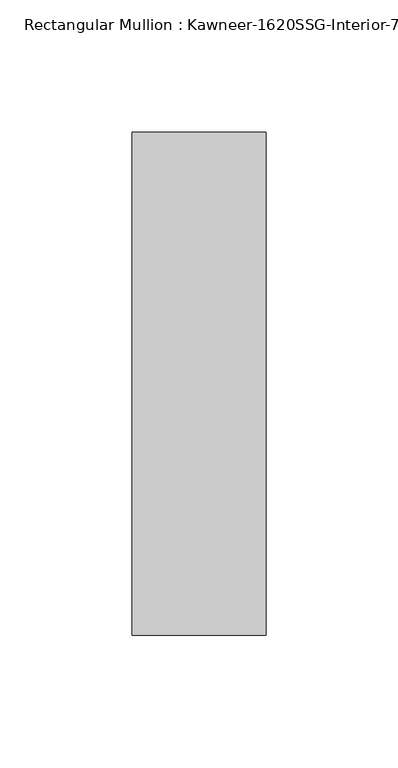
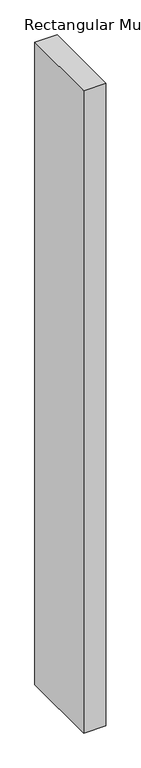
"""IFC4 building model written with IfcOpenShell, lengths in millimetres: member geometry."""

from ifc_helpers import new_model, si_unit, frame, origin, place, context, project, spatial, polyline, outline, extrude, source, transform, mapped, element, save


def member_416b3f47(model_context):
    return source(origin(), model_context, "Body", "SweptSolid", [
        extrude(outline(polyline([(25.4, -161.925), (-25.4, -161.925), (-25.4, 28.575), (25.4, 28.575), (25.4, -161.925)])), frame((0.0, 0.0, -1536.7), z_axis=(0.0, 0.0, 1.0), x_axis=(1.0, 0.0, 0.0)), (0.0, 0.0, 1.0), 1536.7),
    ])


if __name__ == "__main__":
    model = new_model("IFC4")
    model_context = context("Model", 3, world=origin())
    ifc_project = project(units=[si_unit("LENGTHUNIT", "METRE", prefix="MILLI")], contexts=[model_context])
    site = spatial("IfcSite", under=ifc_project)
    building = spatial("IfcBuilding", under=site)
    placement = place(None, origin())
    member_shape = member_416b3f47(model_context)
    element("IfcMember", 1, ObjectType="Rectangular Mullion : Kawneer-1620SSG-Interior-7.5\"-1/4\"Infill", at=placement, inside=building, context=model_context, shape_type="MappedRepresentation", body=[
        mapped(member_shape, transform((0.0, 0.0, 0.0), x_axis=(1.0, 0.0, 0.0), y_axis=(0.0, 1.0, 0.0), z_axis=(0.0, 0.0, 1.0))),
    ])
    save(model, "model.ifc")
